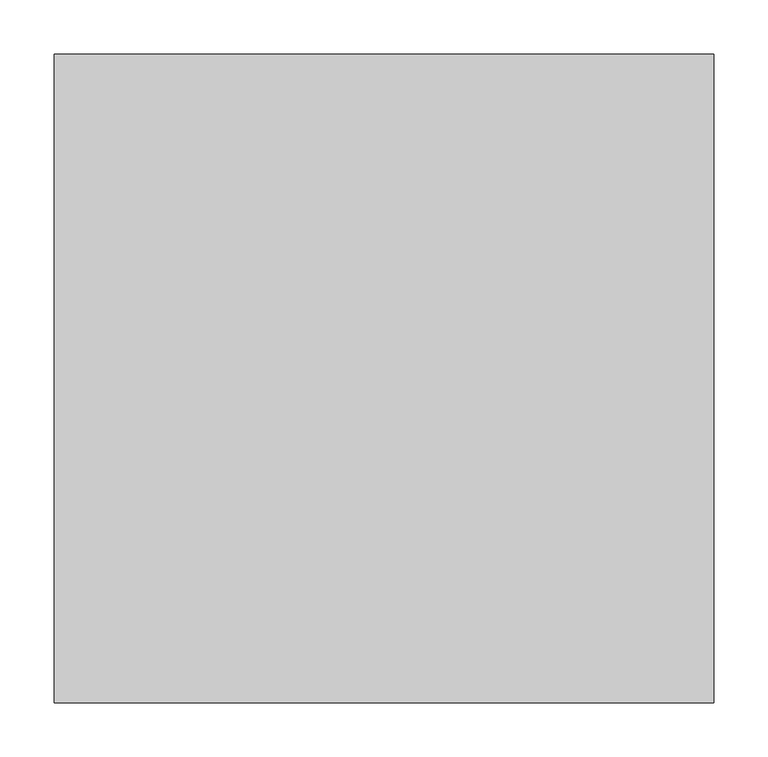
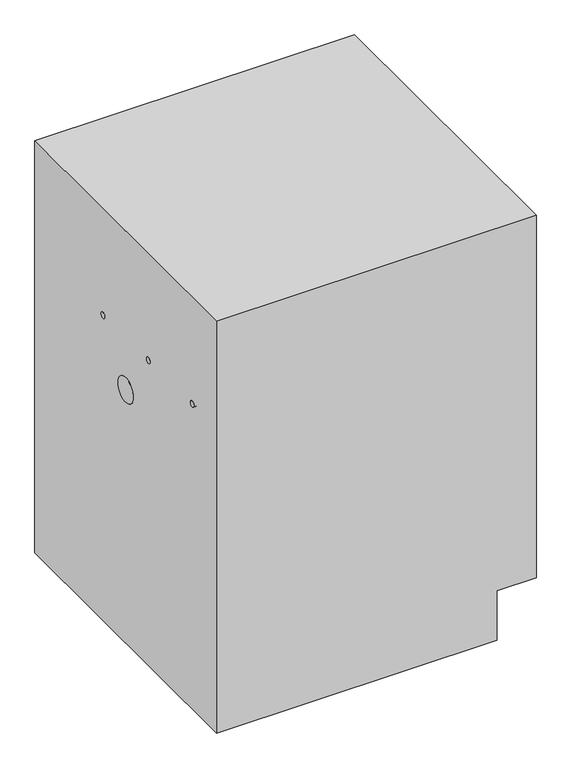
"""IFC4 building model written with IfcOpenShell, lengths in millimetres: proxy geometry."""

import ifcopenshell
import ifcopenshell.guid

model = None  # the IFC model being written
_history = None  # IfcOwnerHistory: only IFC2X3 demands one
_inside = {}  # id of a spatial element -> (the spatial element, [elements in it])
_under = {}  # id of a project, library or spatial element -> (it, [spatial elements below it])
_declared = {}  # id of a project -> (the project, [libraries it declares])
_typed = {}  # id of a type object -> (the type object, [elements of that type])
_made_of = {}  # id of a material, layer set ... -> (it, [elements and type objects made of it])


def new_model(schema):
    """Start an empty IFC model of exactly this schema.

    Asked for "IFC4X3", IfcOpenShell would pick the latest addendum, in which some entities
    have other attributes; the version numbers below select the first issue.
    IFC2X3 requires an IfcOwnerHistory on every rooted entity: one is made here for all.
    """
    global model, _history
    if schema == "IFC4X3":
        model = ifcopenshell.file(schema_version=(4, 3, 0, 0))
    else:
        model = ifcopenshell.file(schema=schema)
    _inside.clear()
    _under.clear()
    _declared.clear()
    _typed.clear()
    _made_of.clear()
    _history = None
    if model.schema == "IFC2X3":
        org = make("IfcOrganization", Name="unknown")
        user = make(
            "IfcPersonAndOrganization",
            ThePerson=make("IfcPerson", FamilyName="unknown"),
            TheOrganization=org,
        )
        app = make(
            "IfcApplication",
            ApplicationDeveloper=org,
            Version="unknown",
            ApplicationFullName="unknown",
            ApplicationIdentifier="unknown",
        )
        _history = make(
            "IfcOwnerHistory",
            OwningUser=user,
            OwningApplication=app,
            ChangeAction="ADDED",
            CreationDate=0,
        )
    return model


def make(cls, **values):
    """One entity of the class cls with the attributes given. An attribute that is None is left unset."""
    return model.create_entity(
        cls, **{name: value for name, value in values.items() if value is not None}
    )


def rooted(cls, **values):
    """An entity with a GlobalId (a new one), such as an element, a storey or a relation."""
    return make(cls, GlobalId=ifcopenshell.guid.new(), OwnerHistory=_history, **values)


def si_unit(unit_type, name, prefix=None):
    """IfcSIUnit, for example si_unit("LENGTHUNIT", "METRE", prefix="MILLI")."""
    return make("IfcSIUnit", UnitType=unit_type, Prefix=prefix, Name=name)


def assignment(units):
    """IfcUnitAssignment: the units of a project."""
    return None if units is None else make("IfcUnitAssignment", Units=units)


def point(xyz):
    """IfcCartesianPoint."""
    return None if xyz is None else make("IfcCartesianPoint", Coordinates=xyz)


def direction(xyz):
    """IfcDirection."""
    return None if xyz is None else make("IfcDirection", DirectionRatios=xyz)


def frame(location, z_axis=None, x_axis=None):
    """IfcAxis2Placement3D, a coordinate frame: its origin and axes. An axis left out is left unset."""
    return make(
        "IfcAxis2Placement3D",
        Location=point(location),
        Axis=direction(z_axis),
        RefDirection=direction(x_axis),
    )


def frame_2d(location, x_axis=None):
    """IfcAxis2Placement2D, a coordinate frame in the plane: its origin and x axis."""
    return make(
        "IfcAxis2Placement2D", Location=point(location), RefDirection=direction(x_axis)
    )


def origin():
    """The frame at (0, 0, 0) with its axes left unset."""
    return frame((0.0, 0.0, 0.0))


def place(relative_to, where):
    """IfcLocalPlacement: puts the frame where relative to a parent placement (None: the world)."""
    return make(
        "IfcLocalPlacement", PlacementRelTo=relative_to, RelativePlacement=where
    )


def context(
    kind, dimensions, precision=None, world=None, true_north=None, identifier=None
):
    """IfcGeometricRepresentationContext, for example the 3D "Model" context."""
    return make(
        "IfcGeometricRepresentationContext",
        ContextIdentifier=identifier,
        ContextType=kind,
        CoordinateSpaceDimension=dimensions,
        Precision=precision,
        WorldCoordinateSystem=world,
        TrueNorth=true_north,
    )


def project(units=None, contexts=None):
    """IfcProject with its units and contexts."""
    return rooted(
        "IfcProject",
        Name="project",
        RepresentationContexts=contexts,
        UnitsInContext=assignment(units),
    )


def spatial(cls, under=None, at=None, **own):
    """A site, building, storey or space (cls), placed at a placement, below another one or the project."""
    s = rooted(cls, ObjectPlacement=at, **own)
    if under is not None:
        _under.setdefault(under.id(), (under, []))[1].append(s)
    return s


def polyline(points):
    """IfcPolyline through the points."""
    return make("IfcPolyline", Points=[point(p) for p in points])


def circle_curve(where, radius):
    """IfcCircle in the frame where."""
    return make("IfcCircle", Position=where, Radius=radius)


def trimmed(basis, trim1, trim2, sense, master):
    """IfcTrimmedCurve: the piece of a basis curve between two trims."""
    return make(
        "IfcTrimmedCurve",
        BasisCurve=basis,
        Trim1=trim1,
        Trim2=trim2,
        SenseAgreement=sense,
        MasterRepresentation=master,
    )


def segment(curve, same_sense, transition):
    """IfcCompositeCurveSegment."""
    return make(
        "IfcCompositeCurveSegment",
        Transition=transition,
        SameSense=same_sense,
        ParentCurve=curve,
    )


def composite_curve(segments, self_intersect=None):
    """IfcCompositeCurve: segments joined end to end."""
    return make("IfcCompositeCurve", Segments=segments, SelfIntersect=self_intersect)


def outline(outer, holes=None, kind="AREA"):
    """IfcArbitraryClosedProfileDef: a profile drawn as a closed curve; with holes, ...WithVoids."""
    if holes is None:
        return make("IfcArbitraryClosedProfileDef", ProfileType=kind, OuterCurve=outer)
    return make(
        "IfcArbitraryProfileDefWithVoids",
        ProfileType=kind,
        OuterCurve=outer,
        InnerCurves=holes,
    )


def extrude(swept, where, along, depth):
    """IfcExtrudedAreaSolid: the profile swept, set in the frame where, extruded along a direction by depth."""
    return make(
        "IfcExtrudedAreaSolid",
        SweptArea=swept,
        Position=where,
        ExtrudedDirection=direction(along),
        Depth=depth,
    )


def shape(context_of_items, identifier, shape_type, items):
    """IfcShapeRepresentation: the items that make up one representation, for example the "Body"."""
    return make(
        "IfcShapeRepresentation",
        ContextOfItems=context_of_items,
        RepresentationIdentifier=identifier,
        RepresentationType=shape_type,
        Items=items,
    )


def source(mapping_origin, context_of_items, identifier, shape_type, items):
    """IfcRepresentationMap: a shape defined once, which mapped items show again and again."""
    return make(
        "IfcRepresentationMap",
        MappingOrigin=mapping_origin,
        MappedRepresentation=shape(context_of_items, identifier, shape_type, items),
    )


def transform(
    local_origin,
    x_axis=None,
    y_axis=None,
    z_axis=None,
    scale=None,
    scale2=None,
    scale3=None,
    uniform=True,
):
    """IfcCartesianTransformationOperator3D, or its non-uniform kind. x_axis, y_axis, z_axis: its Axis1, 2, 3."""
    if uniform:
        return make(
            "IfcCartesianTransformationOperator3D",
            Axis1=direction(x_axis),
            Axis2=direction(y_axis),
            LocalOrigin=point(local_origin),
            Scale=scale,
            Axis3=direction(z_axis),
        )
    return make(
        "IfcCartesianTransformationOperator3DnonUniform",
        Axis1=direction(x_axis),
        Axis2=direction(y_axis),
        LocalOrigin=point(local_origin),
        Scale=scale,
        Axis3=direction(z_axis),
        Scale2=scale2,
        Scale3=scale3,
    )


def mapped(mapping_source, mapping_target):
    """IfcMappedItem: shows the shape of a source again, moved by a transform."""
    return make(
        "IfcMappedItem", MappingSource=mapping_source, MappingTarget=mapping_target
    )


def made_of(thing, what):
    """Note that an element or type object is made of a material, layer set ...; save() writes the relation."""
    if what is not None:
        _made_of.setdefault(what.id(), (what, []))[1].append(thing)
    return thing


def element(
    cls,
    number,
    at=None,
    inside=None,
    cuts=None,
    type_object=None,
    material=None,
    context=None,
    identifier="Body",
    shape_type=None,
    held_by="IfcProductDefinitionShape",
    body=None,
    shapes=None,
    **own,
):
    """One element of the class cls, such as IfcWall. Its Tag is "e" and its number.

    at: its placement. inside: the storey or other place that contains it. cuts: it is an
    opening in that element (IfcRelVoidsElement). A single representation is given by context,
    identifier, shape_type and body (its items); several are given by shapes. held_by: the class
    of the entity that holds the representations. save() writes the other relations.
    """
    e = rooted(cls, Tag="e%d" % number, ObjectPlacement=at, **own)
    if body is not None:
        shapes = [shape(context, identifier, shape_type, body)]
    if shapes is not None:
        e.Representation = make(held_by, Representations=shapes)
    if inside is not None:
        _inside.setdefault(inside.id(), (inside, []))[1].append(e)
    if cuts is not None:
        rooted(
            "IfcRelVoidsElement", RelatingBuildingElement=cuts, RelatedOpeningElement=e
        )
    if type_object is not None:
        _typed.setdefault(type_object.id(), (type_object, []))[1].append(e)
    return made_of(e, material)


def aggregate(whole, parts):
    """IfcRelAggregates: a whole, such as a stair, and the parts it consists of."""
    return rooted("IfcRelAggregates", RelatingObject=whole, RelatedObjects=parts)


def save(model, path):
    """Write the relations noted so far, then the file.

    IfcRelAggregates (storeys below a building ...), IfcRelContainedInSpatialStructure (elements
    in a storey), IfcRelDefinesByType, IfcRelAssociatesMaterial and IfcRelDeclares: one each for
    every whole, place, type object, material and project.
    """
    for whole, parts in _under.values():
        aggregate(whole, parts)
    for where, things in _inside.values():
        rooted(
            "IfcRelContainedInSpatialStructure",
            RelatedElements=things,
            RelatingStructure=where,
        )
    for kind, things in _typed.values():
        rooted("IfcRelDefinesByType", RelatedObjects=things, RelatingType=kind)
    for what, things in _made_of.values():
        rooted("IfcRelAssociatesMaterial", RelatedObjects=things, RelatingMaterial=what)
    for by, libraries in _declared.values():
        rooted("IfcRelDeclares", RelatingContext=by, RelatedDefinitions=libraries)
    model.write(path)


def mechanical_equipment_08fd8ec3(model_context):
    return source(origin(), model_context, "Body", "SweptSolid", [
        extrude(outline(composite_curve([segment(trimmed(circle_curve(frame_2d((-220.0, 615.0)), 6.0), [point((-214.0, 615.0))], [point((-226.0, 615.0))], False, "CARTESIAN"), True, "CONTINUOUS"), segment(trimmed(circle_curve(frame_2d((-220.0, 615.0)), 6.0), [point((-226.0, 615.0))], [point((-214.0, 615.0))], False, "CARTESIAN"), True, "CONTINUOUS")], self_intersect=False)), frame((0.0, 0.0, 0.0), z_axis=(1.0, 0.0, 0.0), x_axis=(0.0, 1.0, 0.0)), (0.0, 0.0, 1.0), 5.0),
        extrude(outline(composite_curve([segment(trimmed(circle_curve(frame_2d((75.0, 615.0)), 6.0), [point((69.0, 615.0))], [point((81.0, 615.0))], False, "CARTESIAN"), True, "CONTINUOUS"), segment(trimmed(circle_curve(frame_2d((75.0, 615.0)), 6.0), [point((81.0, 615.0))], [point((69.0, 615.0))], False, "CARTESIAN"), True, "CONTINUOUS")], self_intersect=False)), frame((0.0, 0.0, 0.0), z_axis=(1.0, 0.0, 0.0), x_axis=(0.0, 1.0, 0.0)), (0.0, 0.0, 1.0), 5.0),
        extrude(outline(composite_curve([segment(trimmed(circle_curve(frame_2d((-75.0, 615.0)), 6.0), [point((-81.0, 615.0))], [point((-69.0, 615.0))], False, "CARTESIAN"), True, "CONTINUOUS"), segment(trimmed(circle_curve(frame_2d((-75.0, 615.0)), 6.0), [point((-69.0, 615.0))], [point((-81.0, 615.0))], False, "CARTESIAN"), True, "CONTINUOUS")], self_intersect=False)), frame((0.0, 0.0, 0.0), z_axis=(1.0, 0.0, 0.0), x_axis=(0.0, 1.0, 0.0)), (0.0, 0.0, 1.0), 5.0),
        extrude(outline(composite_curve([segment(trimmed(circle_curve(frame_2d((0.0, 510.0)), 25.0), [point((-25.0, 510.0))], [point((25.0, 510.0))], False, "CARTESIAN"), True, "CONTINUOUS"), segment(trimmed(circle_curve(frame_2d((0.0, 510.0)), 25.0), [point((25.0, 510.0))], [point((-25.0, 510.0))], False, "CARTESIAN"), True, "CONTINUOUS")], self_intersect=False)), frame((0.0, 0.0, 0.0), z_axis=(1.0, 0.0, 0.0), x_axis=(0.0, 1.0, 0.0)), (0.0, 0.0, 1.0), 5.0),
        extrude(outline(polyline([(0.0, 535.0), (100.0, 535.0), (100.0, 610.0), (830.0, 610.0), (830.0, 0.0), (0.0, 0.0), (0.0, 535.0)])), frame((0.0, -300.0, 0.0), z_axis=(0.0, 1.0, 0.0), x_axis=(0.0, 0.0, 1.0)), (0.0, 0.0, 1.0), 600.0),
    ])


if __name__ == "__main__":
    model = new_model("IFC4")
    model_context = context("Model", 3, world=origin())
    ifc_project = project(units=[si_unit("LENGTHUNIT", "METRE", prefix="MILLI")], contexts=[model_context])
    site = spatial("IfcSite", under=ifc_project)
    building = spatial("IfcBuilding", under=site)
    placement = place(None, origin())
    mechanical_equipment_shape = mechanical_equipment_08fd8ec3(model_context)
    element("IfcBuildingElementProxy", 1, Name="Mechanical Equipment", at=placement, inside=building, context=model_context, shape_type="MappedRepresentation", body=[
        mapped(mechanical_equipment_shape, transform((0.0, 0.0, 0.0), x_axis=(1.0, 0.0, 0.0), y_axis=(0.0, 1.0, 0.0), z_axis=(0.0, 0.0, 1.0))),
    ])
    save(model, "model.ifc")
